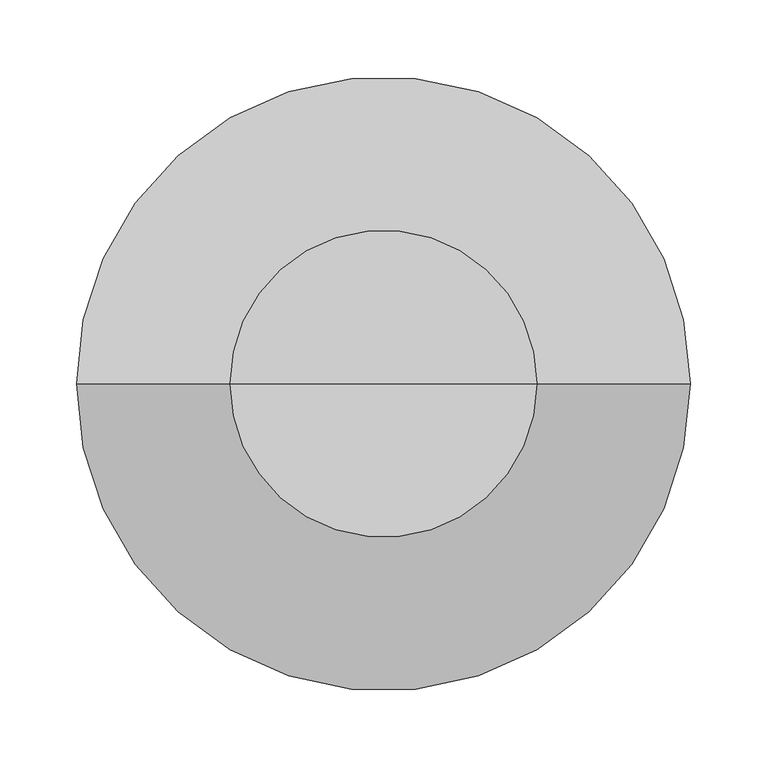
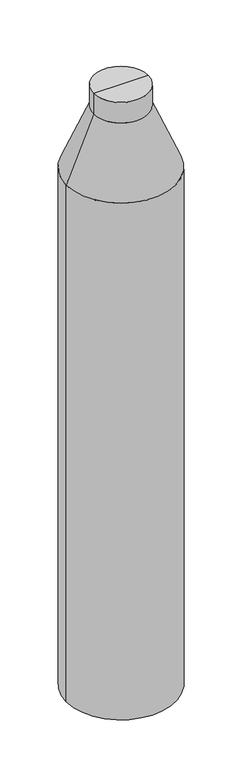
"""IFC4 building model written with IfcOpenShell, lengths in millimetres: column geometry."""

from ifc_helpers import new_model, si_unit, frame, origin, place, context, project, spatial, polyline, circle_curve, source, transform, mapped, element, save
from ifc_brep_helpers import plane_surface, cylinder_surface, revolved_surface, advanced_brep


def column_2b6260a8(model_context):
    return source(origin(), model_context, "Body", "AdvancedBrep", [
        advanced_brep(
        [(-200.0, 0.0, -599.125), (200.0, 0.0, -599.125), (200.0, 0.0, -2599.125), (-200.0, 0.0, -2599.125), (0.0, 0.0, -2599.125), (-100.0, 0.0, -359.125), (100.0, 0.0, -359.125), (-100.0, 0.0, -279.125), (100.0, 0.0, -279.125), (0.0, 0.0, -279.125)],
        [
            (0, 1, circle_curve(frame((0.0, 0.0, -599.125), z_axis=(0.0, 0.0, -1.0), x_axis=(1.0, 0.0, 0.0)), 200.0)),
            (1, 2),
            (2, 3, circle_curve(frame((0.0, 0.0, -2599.125), z_axis=(0.0, 0.0, 1.0), x_axis=(1.0, 0.0, 0.0)), 200.0)),
            (3, 0),
            (2, 4),
            (4, 3),
            (2, 3, circle_curve(frame((0.0, 0.0, -2599.125), z_axis=(0.0, 0.0, -1.0), x_axis=(1.0, 0.0, 0.0)), 200.0)),
            (1, 0, circle_curve(frame((0.0, 0.0, -599.125), z_axis=(0.0, 0.0, -1.0), x_axis=(1.0, 0.0, 0.0)), 200.0)),
            (5, 6, circle_curve(frame((0.0, 0.0, -359.125), z_axis=(0.0, 0.0, -1.0), x_axis=(1.0, 0.0, 0.0)), 100.0)),
            (6, 1),
            (0, 5),
            (6, 5, circle_curve(frame((0.0, 0.0, -359.125), z_axis=(0.0, 0.0, -1.0), x_axis=(1.0, 0.0, 0.0)), 100.0)),
            (7, 8, circle_curve(frame((0.0, 0.0, -279.125), z_axis=(0.0, 0.0, -1.0), x_axis=(1.0, 0.0, 0.0)), 100.0)),
            (8, 6),
            (5, 7),
            (8, 7, circle_curve(frame((0.0, 0.0, -279.125), z_axis=(0.0, 0.0, -1.0), x_axis=(1.0, 0.0, 0.0)), 100.0)),
            (9, 8),
            (7, 9),
        ],
        [
            cylinder_surface(frame((0.0, 0.0, -637.8940014), z_axis=(0.0, 0.0, 1.0), x_axis=(1.0, 0.0, 0.0)), 200.0),
            plane_surface(frame((0.0, 0.0, -2599.125), z_axis=(0.0, 0.0, -1.0), x_axis=(1.0, 0.0, 0.0))),
            revolved_surface(polyline([(200.0, 0.0, -599.125), (100.0, 0.0, -359.125)]), (0.0, 0.0, -637.8940014), (0.0, 0.0, 1.0)),
            cylinder_surface(frame((0.0, 0.0, -637.8940014), z_axis=(0.0, 0.0, 1.0), x_axis=(1.0, 0.0, 0.0)), 100.0),
            plane_surface(frame((0.0, 0.0, -279.125), z_axis=(0.0, 0.0, 1.0), x_axis=(1.0, 0.0, 0.0))),
        ],
        [
            (0, [[1, 2, 3, 4]]),
            (1, [[-3, 5, 6]]),
            (1, [[7, -6, -5]]),
            (0, [[8, -4, -7, -2]]),
            (2, [[9, 10, -1, 11]]),
            (2, [[12, -11, -8, -10]]),
            (3, [[13, 14, -9, 15]]),
            (3, [[16, -15, -12, -14]]),
            (4, [[17, -13, 18]]),
            (4, [[-18, -16, -17]]),
        ],
    ),
    ])


if __name__ == "__main__":
    model = new_model("IFC4")
    model_context = context("Model", 3, world=origin())
    ifc_project = project(units=[si_unit("LENGTHUNIT", "METRE", prefix="MILLI")], contexts=[model_context])
    site = spatial("IfcSite", under=ifc_project)
    building = spatial("IfcBuilding", under=site)
    placement = place(None, origin())
    column_shape = column_2b6260a8(model_context)
    element("IfcColumn", 1, at=placement, inside=building, context=model_context, shape_type="MappedRepresentation", body=[
        mapped(column_shape, transform((0.0, 0.0, 0.0), x_axis=(1.0, 0.0, 0.0), y_axis=(0.0, 1.0, 0.0), z_axis=(0.0, 0.0, 1.0))),
    ])
    save(model, "model.ifc")
